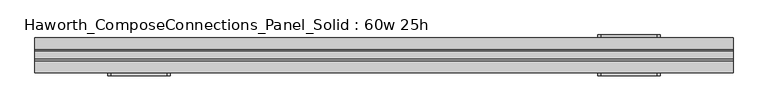
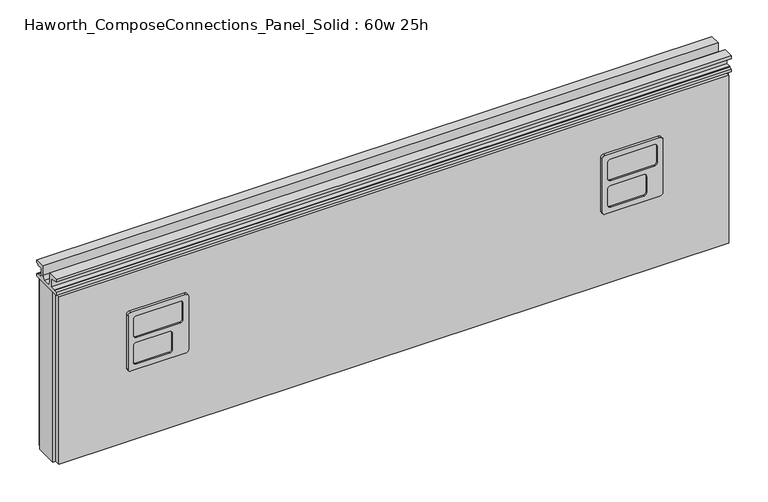
"""IFC4 building model written with IfcOpenShell, lengths in millimetres: furniture geometry, Haworth_ComposeConnections_Panel_Solid : 60w 25h."""

import ifcopenshell
import ifcopenshell.guid

model = None  # the IFC model being written
_history = None  # IfcOwnerHistory: only IFC2X3 demands one
_inside = {}  # id of a spatial element -> (the spatial element, [elements in it])
_under = {}  # id of a project, library or spatial element -> (it, [spatial elements below it])
_declared = {}  # id of a project -> (the project, [libraries it declares])
_typed = {}  # id of a type object -> (the type object, [elements of that type])
_made_of = {}  # id of a material, layer set ... -> (it, [elements and type objects made of it])


def new_model(schema):
    """Start an empty IFC model of exactly this schema.

    Asked for "IFC4X3", IfcOpenShell would pick the latest addendum, in which some entities
    have other attributes; the version numbers below select the first issue.
    IFC2X3 requires an IfcOwnerHistory on every rooted entity: one is made here for all.
    """
    global model, _history
    if schema == "IFC4X3":
        model = ifcopenshell.file(schema_version=(4, 3, 0, 0))
    else:
        model = ifcopenshell.file(schema=schema)
    _inside.clear()
    _under.clear()
    _declared.clear()
    _typed.clear()
    _made_of.clear()
    _history = None
    if model.schema == "IFC2X3":
        org = make("IfcOrganization", Name="unknown")
        user = make(
            "IfcPersonAndOrganization",
            ThePerson=make("IfcPerson", FamilyName="unknown"),
            TheOrganization=org,
        )
        app = make(
            "IfcApplication",
            ApplicationDeveloper=org,
            Version="unknown",
            ApplicationFullName="unknown",
            ApplicationIdentifier="unknown",
        )
        _history = make(
            "IfcOwnerHistory",
            OwningUser=user,
            OwningApplication=app,
            ChangeAction="ADDED",
            CreationDate=0,
        )
    return model


def make(cls, **values):
    """One entity of the class cls with the attributes given. An attribute that is None is left unset."""
    return model.create_entity(
        cls, **{name: value for name, value in values.items() if value is not None}
    )


def rooted(cls, **values):
    """An entity with a GlobalId (a new one), such as an element, a storey or a relation."""
    return make(cls, GlobalId=ifcopenshell.guid.new(), OwnerHistory=_history, **values)


def si_unit(unit_type, name, prefix=None):
    """IfcSIUnit, for example si_unit("LENGTHUNIT", "METRE", prefix="MILLI")."""
    return make("IfcSIUnit", UnitType=unit_type, Prefix=prefix, Name=name)


def assignment(units):
    """IfcUnitAssignment: the units of a project."""
    return None if units is None else make("IfcUnitAssignment", Units=units)


def point(xyz):
    """IfcCartesianPoint."""
    return None if xyz is None else make("IfcCartesianPoint", Coordinates=xyz)


def direction(xyz):
    """IfcDirection."""
    return None if xyz is None else make("IfcDirection", DirectionRatios=xyz)


def frame(location, z_axis=None, x_axis=None):
    """IfcAxis2Placement3D, a coordinate frame: its origin and axes. An axis left out is left unset."""
    return make(
        "IfcAxis2Placement3D",
        Location=point(location),
        Axis=direction(z_axis),
        RefDirection=direction(x_axis),
    )


def origin():
    """The frame at (0, 0, 0) with its axes left unset."""
    return frame((0.0, 0.0, 0.0))


def place(relative_to, where):
    """IfcLocalPlacement: puts the frame where relative to a parent placement (None: the world)."""
    return make(
        "IfcLocalPlacement", PlacementRelTo=relative_to, RelativePlacement=where
    )


def context(
    kind, dimensions, precision=None, world=None, true_north=None, identifier=None
):
    """IfcGeometricRepresentationContext, for example the 3D "Model" context."""
    return make(
        "IfcGeometricRepresentationContext",
        ContextIdentifier=identifier,
        ContextType=kind,
        CoordinateSpaceDimension=dimensions,
        Precision=precision,
        WorldCoordinateSystem=world,
        TrueNorth=true_north,
    )


def project(units=None, contexts=None):
    """IfcProject with its units and contexts."""
    return rooted(
        "IfcProject",
        Name="project",
        RepresentationContexts=contexts,
        UnitsInContext=assignment(units),
    )


def spatial(cls, under=None, at=None, **own):
    """A site, building, storey or space (cls), placed at a placement, below another one or the project."""
    s = rooted(cls, ObjectPlacement=at, **own)
    if under is not None:
        _under.setdefault(under.id(), (under, []))[1].append(s)
    return s


def polyline(points):
    """IfcPolyline through the points."""
    return make("IfcPolyline", Points=[point(p) for p in points])


def circle_curve(where, radius):
    """IfcCircle in the frame where."""
    return make("IfcCircle", Position=where, Radius=radius)


def outline(outer, holes=None, kind="AREA"):
    """IfcArbitraryClosedProfileDef: a profile drawn as a closed curve; with holes, ...WithVoids."""
    if holes is None:
        return make("IfcArbitraryClosedProfileDef", ProfileType=kind, OuterCurve=outer)
    return make(
        "IfcArbitraryProfileDefWithVoids",
        ProfileType=kind,
        OuterCurve=outer,
        InnerCurves=holes,
    )


def extrude(swept, where, along, depth):
    """IfcExtrudedAreaSolid: the profile swept, set in the frame where, extruded along a direction by depth."""
    return make(
        "IfcExtrudedAreaSolid",
        SweptArea=swept,
        Position=where,
        ExtrudedDirection=direction(along),
        Depth=depth,
    )


def shape(context_of_items, identifier, shape_type, items):
    """IfcShapeRepresentation: the items that make up one representation, for example the "Body"."""
    return make(
        "IfcShapeRepresentation",
        ContextOfItems=context_of_items,
        RepresentationIdentifier=identifier,
        RepresentationType=shape_type,
        Items=items,
    )


def source(mapping_origin, context_of_items, identifier, shape_type, items):
    """IfcRepresentationMap: a shape defined once, which mapped items show again and again."""
    return make(
        "IfcRepresentationMap",
        MappingOrigin=mapping_origin,
        MappedRepresentation=shape(context_of_items, identifier, shape_type, items),
    )


def transform(
    local_origin,
    x_axis=None,
    y_axis=None,
    z_axis=None,
    scale=None,
    scale2=None,
    scale3=None,
    uniform=True,
):
    """IfcCartesianTransformationOperator3D, or its non-uniform kind. x_axis, y_axis, z_axis: its Axis1, 2, 3."""
    if uniform:
        return make(
            "IfcCartesianTransformationOperator3D",
            Axis1=direction(x_axis),
            Axis2=direction(y_axis),
            LocalOrigin=point(local_origin),
            Scale=scale,
            Axis3=direction(z_axis),
        )
    return make(
        "IfcCartesianTransformationOperator3DnonUniform",
        Axis1=direction(x_axis),
        Axis2=direction(y_axis),
        LocalOrigin=point(local_origin),
        Scale=scale,
        Axis3=direction(z_axis),
        Scale2=scale2,
        Scale3=scale3,
    )


def mapped(mapping_source, mapping_target):
    """IfcMappedItem: shows the shape of a source again, moved by a transform."""
    return make(
        "IfcMappedItem", MappingSource=mapping_source, MappingTarget=mapping_target
    )


def made_of(thing, what):
    """Note that an element or type object is made of a material, layer set ...; save() writes the relation."""
    if what is not None:
        _made_of.setdefault(what.id(), (what, []))[1].append(thing)
    return thing


def element(
    cls,
    number,
    at=None,
    inside=None,
    cuts=None,
    type_object=None,
    material=None,
    context=None,
    identifier="Body",
    shape_type=None,
    held_by="IfcProductDefinitionShape",
    body=None,
    shapes=None,
    **own,
):
    """One element of the class cls, such as IfcWall. Its Tag is "e" and its number.

    at: its placement. inside: the storey or other place that contains it. cuts: it is an
    opening in that element (IfcRelVoidsElement). A single representation is given by context,
    identifier, shape_type and body (its items); several are given by shapes. held_by: the class
    of the entity that holds the representations. save() writes the other relations.
    """
    e = rooted(cls, Tag="e%d" % number, ObjectPlacement=at, **own)
    if body is not None:
        shapes = [shape(context, identifier, shape_type, body)]
    if shapes is not None:
        e.Representation = make(held_by, Representations=shapes)
    if inside is not None:
        _inside.setdefault(inside.id(), (inside, []))[1].append(e)
    if cuts is not None:
        rooted(
            "IfcRelVoidsElement", RelatingBuildingElement=cuts, RelatedOpeningElement=e
        )
    if type_object is not None:
        _typed.setdefault(type_object.id(), (type_object, []))[1].append(e)
    return made_of(e, material)


def aggregate(whole, parts):
    """IfcRelAggregates: a whole, such as a stair, and the parts it consists of."""
    return rooted("IfcRelAggregates", RelatingObject=whole, RelatedObjects=parts)


def save(model, path):
    """Write the relations noted so far, then the file.

    IfcRelAggregates (storeys below a building ...), IfcRelContainedInSpatialStructure (elements
    in a storey), IfcRelDefinesByType, IfcRelAssociatesMaterial and IfcRelDeclares: one each for
    every whole, place, type object, material and project.
    """
    for whole, parts in _under.values():
        aggregate(whole, parts)
    for where, things in _inside.values():
        rooted(
            "IfcRelContainedInSpatialStructure",
            RelatedElements=things,
            RelatingStructure=where,
        )
    for kind, things in _typed.values():
        rooted("IfcRelDefinesByType", RelatedObjects=things, RelatingType=kind)
    for what, things in _made_of.values():
        rooted("IfcRelAssociatesMaterial", RelatedObjects=things, RelatingMaterial=what)
    for by, libraries in _declared.values():
        rooted("IfcRelDeclares", RelatingContext=by, RelatedDefinitions=libraries)
    model.write(path)


def plane_surface(at):
    """IfcPlane: the flat surface through the origin of the frame at, square to its z axis."""
    return make("IfcPlane", Position=at)


def cylinder_surface(at, radius):
    """IfcCylindricalSurface: all points at the distance radius from the z axis of the frame at."""
    return make("IfcCylindricalSurface", Position=at, Radius=radius)


def revolved_surface(curve, axis_point, axis_direction):
    """IfcSurfaceOfRevolution: the curve turned about the line through axis_point along axis_direction."""
    return make(
        "IfcSurfaceOfRevolution",
        SweptCurve=make("IfcArbitraryOpenProfileDef", ProfileType="CURVE", Curve=curve),
        AxisPosition=make("IfcAxis1Placement", Location=point(axis_point), Axis=direction(axis_direction)),
    )


def advanced_brep(points, edges, surfaces, faces):
    """IfcAdvancedBrep: a solid bounded by faces that lie on surfaces and meet in shared edges.

    An edge is (start, end): straight between two places in points (the first is 0);
    or (start, end, curve); or (start, end, curve, False) where it runs against its curve.
    A face is (place in surfaces, loops), or (place, loops, False) where it looks against
    its surface's normal. A loop lists edges by number (the first is 1), with a minus sign
    where the edge is run from its end to its start. The first loop is the outer one.
    """
    corners = [point(p) for p in points]
    vertices = [make("IfcVertexPoint", VertexGeometry=c) for c in corners]
    made = []
    for start, end, *more in edges:
        made.append(
            make(
                "IfcEdgeCurve",
                EdgeStart=vertices[start],
                EdgeEnd=vertices[end],
                EdgeGeometry=more[0] if more else make("IfcPolyline", Points=[corners[start], corners[end]]),
                SameSense=more[1] if len(more) > 1 else True,
            )
        )
    hull = []
    for where, loops, *sense in faces:
        bounds = []
        for j, loop in enumerate(loops):
            ring = [make("IfcOrientedEdge", EdgeElement=made[abs(k) - 1], Orientation=k > 0) for k in loop]
            bounds.append(
                make(
                    "IfcFaceOuterBound" if j == 0 else "IfcFaceBound",
                    Bound=make("IfcEdgeLoop", EdgeList=ring),
                    Orientation=True,
                )
            )
        hull.append(make("IfcAdvancedFace", Bounds=bounds, FaceSurface=surfaces[where], SameSense=sense[0] if sense else True))
    return make("IfcAdvancedBrep", Outer=make("IfcClosedShell", CfsFaces=hull))


def haworth_composeconnections_panel_solid_60w_25h_794f373a(model_context):
    return source(origin(), model_context, "Body", "SolidModel", [
        advanced_brep(
        [(-594.4597098, -38.1, 546.1), (-470.6347098, -38.1, 546.1), (-464.2847098, -38.1, 539.75), (-464.2847098, -38.1, 412.75), (-470.6347098, -38.1, 406.4), (-594.4597098, -38.1, 406.4), (-600.8097098, -38.1, 412.75), (-600.8097098, -38.1, 539.75), (-594.4597098, -44.45, 546.1), (-600.8097098, -44.45, 539.75), (-600.8097098, -44.45, 412.75), (-594.4597098, -44.45, 406.4), (-470.6347098, -44.45, 406.4), (-464.2847098, -44.45, 412.75), (-464.2847098, -44.45, 539.75), (-470.6347098, -44.45, 546.1), (-581.7597098, -44.45, 533.4), (-483.3347098, -44.45, 533.4), (-476.9847098, -44.45, 527.05), (-476.9847098, -44.45, 488.95), (-483.3347098, -44.45, 482.6), (-581.7597098, -44.45, 482.6), (-588.1097098, -44.45, 488.95), (-588.1097098, -44.45, 527.05), (-581.7597098, -44.45, 469.9), (-507.1472098, -44.45, 469.9), (-500.7972098, -44.45, 463.55), (-500.7972098, -44.45, 425.45), (-507.1472098, -44.45, 419.1), (-581.7597098, -44.45, 419.1), (-588.1097098, -44.45, 425.45), (-588.1097098, -44.45, 463.55), (-581.7597098, -41.275, 533.4), (-588.1097098, -41.275, 527.05), (-588.1097098, -41.275, 488.95), (-581.7597098, -41.275, 482.6), (-483.3347098, -41.275, 482.6), (-476.9847098, -41.275, 488.95), (-476.9847098, -41.275, 527.05), (-483.3347098, -41.275, 533.4), (-581.7597098, -41.275, 469.9), (-588.1097098, -41.275, 463.55), (-588.1097098, -41.275, 425.45), (-581.7597098, -41.275, 419.1), (-507.1472098, -41.275, 419.1), (-500.7972098, -41.275, 425.45), (-500.7972098, -41.275, 463.55), (-507.1472098, -41.275, 469.9)],
        [
            (0, 1),
            (1, 2, circle_curve(frame((-470.6347098, -38.1, 539.75), z_axis=(0.0, 1.0, 0.0), x_axis=(1.0, 0.0, 0.0)), 6.35)),
            (2, 3),
            (3, 4, circle_curve(frame((-470.6347098, -38.1, 412.75), z_axis=(0.0, 1.0, 0.0), x_axis=(1.0, 0.0, 0.0)), 6.35)),
            (4, 5),
            (5, 6, circle_curve(frame((-594.4597098, -38.1, 412.75), z_axis=(0.0, 1.0, 0.0), x_axis=(1.0, 0.0, 0.0)), 6.35)),
            (6, 7),
            (7, 0, circle_curve(frame((-594.4597098, -38.1, 539.75), z_axis=(0.0, 1.0, 0.0), x_axis=(1.0, 0.0, 0.0)), 6.35)),
            (8, 9, circle_curve(frame((-594.4597098, -44.45, 539.75), z_axis=(0.0, -1.0, 0.0), x_axis=(1.0, 0.0, 0.0)), 6.35)),
            (9, 10),
            (10, 11, circle_curve(frame((-594.4597098, -44.45, 412.75), z_axis=(0.0, -1.0, 0.0), x_axis=(1.0, 0.0, 0.0)), 6.35)),
            (11, 12),
            (12, 13, circle_curve(frame((-470.6347098, -44.45, 412.75), z_axis=(0.0, -1.0, 0.0), x_axis=(1.0, 0.0, 0.0)), 6.35)),
            (13, 14),
            (14, 15, circle_curve(frame((-470.6347098, -44.45, 539.75), z_axis=(0.0, -1.0, 0.0), x_axis=(1.0, 0.0, 0.0)), 6.35)),
            (15, 8),
            (16, 17),
            (17, 18, circle_curve(frame((-483.3347098, -44.45, 527.05), z_axis=(0.0, 1.0, 0.0), x_axis=(1.0, 0.0, 0.0)), 6.35)),
            (18, 19),
            (19, 20, circle_curve(frame((-483.3347098, -44.45, 488.95), z_axis=(0.0, 1.0, 0.0), x_axis=(1.0, 0.0, 0.0)), 6.35)),
            (20, 21),
            (21, 22, circle_curve(frame((-581.7597098, -44.45, 488.95), z_axis=(0.0, 1.0, 0.0), x_axis=(1.0, 0.0, 0.0)), 6.35)),
            (22, 23),
            (23, 16, circle_curve(frame((-581.7597098, -44.45, 527.05), z_axis=(0.0, 1.0, 0.0), x_axis=(1.0, 0.0, 0.0)), 6.35)),
            (24, 25),
            (25, 26, circle_curve(frame((-507.1472098, -44.45, 463.55), z_axis=(0.0, 1.0, 0.0), x_axis=(1.0, 0.0, 0.0)), 6.35)),
            (26, 27),
            (27, 28, circle_curve(frame((-507.1472098, -44.45, 425.45), z_axis=(0.0, 1.0, 0.0), x_axis=(1.0, 0.0, 0.0)), 6.35)),
            (28, 29),
            (29, 30, circle_curve(frame((-581.7597098, -44.45, 425.45), z_axis=(0.0, 1.0, 0.0), x_axis=(1.0, 0.0, 0.0)), 6.35)),
            (30, 31),
            (31, 24, circle_curve(frame((-581.7597098, -44.45, 463.55), z_axis=(0.0, 1.0, 0.0), x_axis=(1.0, 0.0, 0.0)), 6.35)),
            (7, 9),
            (8, 0),
            (6, 10),
            (5, 11),
            (4, 12),
            (3, 13),
            (2, 14),
            (1, 15),
            (32, 33, circle_curve(frame((-581.7597098, -41.275, 527.05), z_axis=(0.0, -1.0, 0.0), x_axis=(1.0, 0.0, 0.0)), 6.35)),
            (33, 34),
            (34, 35, circle_curve(frame((-581.7597098, -41.275, 488.95), z_axis=(0.0, -1.0, 0.0), x_axis=(1.0, 0.0, 0.0)), 6.35)),
            (35, 36),
            (36, 37, circle_curve(frame((-483.3347098, -41.275, 488.95), z_axis=(0.0, -1.0, 0.0), x_axis=(1.0, 0.0, 0.0)), 6.35)),
            (37, 38),
            (38, 39, circle_curve(frame((-483.3347098, -41.275, 527.05), z_axis=(0.0, -1.0, 0.0), x_axis=(1.0, 0.0, 0.0)), 6.35)),
            (39, 32),
            (40, 41, circle_curve(frame((-581.7597098, -41.275, 463.55), z_axis=(0.0, -1.0, 0.0), x_axis=(1.0, 0.0, 0.0)), 6.35)),
            (41, 42),
            (42, 43, circle_curve(frame((-581.7597098, -41.275, 425.45), z_axis=(0.0, -1.0, 0.0), x_axis=(1.0, 0.0, 0.0)), 6.35)),
            (43, 44),
            (44, 45, circle_curve(frame((-507.1472098, -41.275, 425.45), z_axis=(0.0, -1.0, 0.0), x_axis=(1.0, 0.0, 0.0)), 6.35)),
            (45, 46),
            (46, 47, circle_curve(frame((-507.1472098, -41.275, 463.55), z_axis=(0.0, -1.0, 0.0), x_axis=(1.0, 0.0, 0.0)), 6.35)),
            (47, 40),
            (32, 16),
            (23, 33),
            (22, 34),
            (21, 35),
            (20, 36),
            (19, 37),
            (18, 38),
            (17, 39),
            (40, 24),
            (31, 41),
            (30, 42),
            (29, 43),
            (28, 44),
            (27, 45),
            (26, 46),
            (25, 47),
        ],
        [
            plane_surface(frame((-588.1097098, -38.1, 539.75), z_axis=(0.0, 1.0, 0.0), x_axis=(0.0, 0.0, 1.0))),
            plane_surface(frame((-588.1097098, -44.45, 539.75), z_axis=(0.0, -1.0, 0.0), x_axis=(0.0, 0.0, -1.0))),
            cylinder_surface(frame((-594.4597098, -44.45, 539.75), z_axis=(0.0, 1.0, 0.0), x_axis=(1.0, 0.0, 0.0)), 6.35),
            plane_surface(frame((-600.8097098, -38.1, 539.75), z_axis=(-1.0, 0.0, 0.0), x_axis=(0.0, -1.0, 0.0))),
            cylinder_surface(frame((-594.4597098, -44.45, 412.75), z_axis=(0.0, 1.0, 0.0), x_axis=(1.0, 0.0, 0.0)), 6.35),
            plane_surface(frame((-594.4597098, -38.1, 406.4), z_axis=(0.0, 0.0, -1.0), x_axis=(0.0, -1.0, 0.0))),
            cylinder_surface(frame((-470.6347098, -44.45, 412.75), z_axis=(0.0, 1.0, 0.0), x_axis=(1.0, 0.0, 0.0)), 6.35),
            plane_surface(frame((-464.2847098, -38.1, 412.75), z_axis=(1.0, 0.0, 0.0), x_axis=(0.0, -1.0, 0.0))),
            cylinder_surface(frame((-470.6347098, -44.45, 539.75), z_axis=(0.0, 1.0, 0.0), x_axis=(1.0, 0.0, 0.0)), 6.35),
            plane_surface(frame((-470.6347098, -38.1, 546.1), z_axis=(0.0, 0.0, 1.0), x_axis=(0.0, -1.0, 0.0))),
            plane_surface(frame((-575.4097098, -41.275, 527.05), z_axis=(0.0, -1.0, 0.0), x_axis=(0.0, 0.0, 1.0))),
            revolved_surface(polyline([(-575.4097098, -41.275, 527.05), (-575.4097098, -44.45, 527.05)]), (-581.7597098, -44.45, 527.05), (0.0, 1.0, 0.0)),
            plane_surface(frame((-588.1097098, -41.275, 527.05), z_axis=(1.0, 0.0, 0.0), x_axis=(0.0, -1.0, 0.0))),
            revolved_surface(polyline([(-575.4097098, -41.275, 488.95), (-575.4097098, -44.45, 488.95)]), (-581.7597098, -44.45, 488.95), (0.0, 1.0, 0.0)),
            plane_surface(frame((-581.7597098, -41.275, 482.6), z_axis=(0.0, 0.0, 1.0), x_axis=(0.0, -1.0, 0.0))),
            revolved_surface(polyline([(-476.98470979999996, -41.275, 488.95), (-476.98470979999996, -44.45, 488.95)]), (-483.3347098, -44.45, 488.95), (0.0, 1.0, 0.0)),
            plane_surface(frame((-476.9847098, -41.275, 488.95), z_axis=(-1.0, 0.0, 0.0), x_axis=(0.0, -1.0, 0.0))),
            revolved_surface(polyline([(-476.98470979999996, -41.275, 527.05), (-476.98470979999996, -44.45, 527.05)]), (-483.3347098, -44.45, 527.05), (0.0, 1.0, 0.0)),
            plane_surface(frame((-483.3347098, -41.275, 533.4), z_axis=(0.0, 0.0, -1.0), x_axis=(0.0, -1.0, 0.0))),
            revolved_surface(polyline([(-575.4097098, -41.275, 463.55), (-575.4097098, -44.45, 463.55)]), (-581.7597098, -44.45, 463.55), (0.0, 1.0, 0.0)),
            plane_surface(frame((-588.1097098, -41.275, 463.55), z_axis=(1.0, 0.0, 0.0), x_axis=(0.0, -1.0, 0.0))),
            revolved_surface(polyline([(-575.4097098, -41.275, 425.45), (-575.4097098, -44.45, 425.45)]), (-581.7597098, -44.45, 425.45), (0.0, 1.0, 0.0)),
            plane_surface(frame((-581.7597098, -41.275, 419.1), z_axis=(0.0, 0.0, 1.0), x_axis=(0.0, -1.0, 0.0))),
            revolved_surface(polyline([(-500.79720979999996, -41.275, 425.45), (-500.79720979999996, -44.45, 425.45)]), (-507.1472098, -44.45, 425.45), (0.0, 1.0, 0.0)),
            plane_surface(frame((-500.7972098, -41.275, 425.45), z_axis=(-1.0, 0.0, 0.0), x_axis=(0.0, -1.0, 0.0))),
            revolved_surface(polyline([(-500.79720979999996, -41.275, 463.55), (-500.79720979999996, -44.45, 463.55)]), (-507.1472098, -44.45, 463.55), (0.0, 1.0, 0.0)),
            plane_surface(frame((-507.1472098, -41.275, 469.9), z_axis=(0.0, 0.0, -1.0), x_axis=(0.0, -1.0, 0.0))),
        ],
        [
            (0, [[1, 2, 3, 4, 5, 6, 7, 8]]),
            (1, [[9, 10, 11, 12, 13, 14, 15, 16], [17, 18, 19, 20, 21, 22, 23, 24], [25, 26, 27, 28, 29, 30, 31, 32]]),
            (2, [[33, -9, 34, -8]]),
            (3, [[35, -10, -33, -7]]),
            (4, [[36, -11, -35, -6]]),
            (5, [[37, -12, -36, -5]]),
            (6, [[38, -13, -37, -4]]),
            (7, [[39, -14, -38, -3]]),
            (8, [[40, -15, -39, -2]]),
            (9, [[-34, -16, -40, -1]]),
            (10, [[41, 42, 43, 44, 45, 46, 47, 48]]),
            (10, [[49, 50, 51, 52, 53, 54, 55, 56]]),
            (11, [[57, -24, 58, -41]]),
            (12, [[-58, -23, 59, -42]]),
            (13, [[-59, -22, 60, -43]]),
            (14, [[-60, -21, 61, -44]]),
            (15, [[-61, -20, 62, -45]]),
            (16, [[-62, -19, 63, -46]]),
            (17, [[-63, -18, 64, -47]]),
            (18, [[-64, -17, -57, -48]]),
            (19, [[65, -32, 66, -49]]),
            (20, [[-66, -31, 67, -50]]),
            (21, [[-67, -30, 68, -51]]),
            (22, [[-68, -29, 69, -52]]),
            (23, [[-69, -28, 70, -53]]),
            (24, [[-70, -27, 71, -54]]),
            (25, [[-71, -26, 72, -55]]),
            (26, [[-72, -25, -65, -56]]),
        ],
    ),
        advanced_brep(
        [(475.5152902, -38.1, 546.1), (599.3402902, -38.1, 546.1), (605.6902902, -38.1, 539.75), (605.6902902, -38.1, 412.75), (599.3402902, -38.1, 406.4), (475.5152902, -38.1, 406.4), (469.1652902, -38.1, 412.75), (469.1652902, -38.1, 539.75), (475.5152902, -44.45, 546.1), (469.1652902, -44.45, 539.75), (469.1652902, -44.45, 412.75), (475.5152902, -44.45, 406.4), (599.3402902, -44.45, 406.4), (605.6902902, -44.45, 412.75), (605.6902902, -44.45, 539.75), (599.3402902, -44.45, 546.1), (488.2152902, -44.45, 533.4), (586.6402902, -44.45, 533.4), (592.9902902, -44.45, 527.05), (592.9902902, -44.45, 488.95), (586.6402902, -44.45, 482.6), (488.2152902, -44.45, 482.6), (481.8652902, -44.45, 488.95), (481.8652902, -44.45, 527.05), (488.2152902, -44.45, 469.9), (562.8277902, -44.45, 469.9), (569.1777902, -44.45, 463.55), (569.1777902, -44.45, 425.45), (562.8277902, -44.45, 419.1), (488.2152902, -44.45, 419.1), (481.8652902, -44.45, 425.45), (481.8652902, -44.45, 463.55), (488.2152902, -41.275, 533.4), (481.8652902, -41.275, 527.05), (481.8652902, -41.275, 488.95), (488.2152902, -41.275, 482.6), (586.6402902, -41.275, 482.6), (592.9902902, -41.275, 488.95), (592.9902902, -41.275, 527.05), (586.6402902, -41.275, 533.4), (488.2152902, -41.275, 469.9), (481.8652902, -41.275, 463.55), (481.8652902, -41.275, 425.45), (488.2152902, -41.275, 419.1), (562.8277902, -41.275, 419.1), (569.1777902, -41.275, 425.45), (569.1777902, -41.275, 463.55), (562.8277902, -41.275, 469.9)],
        [
            (0, 1),
            (1, 2, circle_curve(frame((599.3402902, -38.1, 539.75), z_axis=(0.0, 1.0, 0.0), x_axis=(1.0, 0.0, 0.0)), 6.35)),
            (2, 3),
            (3, 4, circle_curve(frame((599.3402902, -38.1, 412.75), z_axis=(0.0, 1.0, 0.0), x_axis=(1.0, 0.0, 0.0)), 6.35)),
            (4, 5),
            (5, 6, circle_curve(frame((475.5152902, -38.1, 412.75), z_axis=(0.0, 1.0, 0.0), x_axis=(1.0, 0.0, 0.0)), 6.35)),
            (6, 7),
            (7, 0, circle_curve(frame((475.5152902, -38.1, 539.75), z_axis=(0.0, 1.0, 0.0), x_axis=(1.0, 0.0, 0.0)), 6.35)),
            (8, 9, circle_curve(frame((475.5152902, -44.45, 539.75), z_axis=(0.0, -1.0, 0.0), x_axis=(1.0, 0.0, 0.0)), 6.35)),
            (9, 10),
            (10, 11, circle_curve(frame((475.5152902, -44.45, 412.75), z_axis=(0.0, -1.0, 0.0), x_axis=(1.0, 0.0, 0.0)), 6.35)),
            (11, 12),
            (12, 13, circle_curve(frame((599.3402902, -44.45, 412.75), z_axis=(0.0, -1.0, 0.0), x_axis=(1.0, 0.0, 0.0)), 6.35)),
            (13, 14),
            (14, 15, circle_curve(frame((599.3402902, -44.45, 539.75), z_axis=(0.0, -1.0, 0.0), x_axis=(1.0, 0.0, 0.0)), 6.35)),
            (15, 8),
            (16, 17),
            (17, 18, circle_curve(frame((586.6402902, -44.45, 527.05), z_axis=(0.0, 1.0, 0.0), x_axis=(1.0, 0.0, 0.0)), 6.35)),
            (18, 19),
            (19, 20, circle_curve(frame((586.6402902, -44.45, 488.95), z_axis=(0.0, 1.0, 0.0), x_axis=(1.0, 0.0, 0.0)), 6.35)),
            (20, 21),
            (21, 22, circle_curve(frame((488.2152902, -44.45, 488.95), z_axis=(0.0, 1.0, 0.0), x_axis=(1.0, 0.0, 0.0)), 6.35)),
            (22, 23),
            (23, 16, circle_curve(frame((488.2152902, -44.45, 527.05), z_axis=(0.0, 1.0, 0.0), x_axis=(1.0, 0.0, 0.0)), 6.35)),
            (24, 25),
            (25, 26, circle_curve(frame((562.8277902, -44.45, 463.55), z_axis=(0.0, 1.0, 0.0), x_axis=(1.0, 0.0, 0.0)), 6.35)),
            (26, 27),
            (27, 28, circle_curve(frame((562.8277902, -44.45, 425.45), z_axis=(0.0, 1.0, 0.0), x_axis=(1.0, 0.0, 0.0)), 6.35)),
            (28, 29),
            (29, 30, circle_curve(frame((488.2152902, -44.45, 425.45), z_axis=(0.0, 1.0, 0.0), x_axis=(1.0, 0.0, 0.0)), 6.35)),
            (30, 31),
            (31, 24, circle_curve(frame((488.2152902, -44.45, 463.55), z_axis=(0.0, 1.0, 0.0), x_axis=(1.0, 0.0, 0.0)), 6.35)),
            (7, 9),
            (8, 0),
            (6, 10),
            (5, 11),
            (4, 12),
            (3, 13),
            (2, 14),
            (1, 15),
            (32, 33, circle_curve(frame((488.2152902, -41.275, 527.05), z_axis=(0.0, -1.0, 0.0), x_axis=(1.0, 0.0, 0.0)), 6.35)),
            (33, 34),
            (34, 35, circle_curve(frame((488.2152902, -41.275, 488.95), z_axis=(0.0, -1.0, 0.0), x_axis=(1.0, 0.0, 0.0)), 6.35)),
            (35, 36),
            (36, 37, circle_curve(frame((586.6402902, -41.275, 488.95), z_axis=(0.0, -1.0, 0.0), x_axis=(1.0, 0.0, 0.0)), 6.35)),
            (37, 38),
            (38, 39, circle_curve(frame((586.6402902, -41.275, 527.05), z_axis=(0.0, -1.0, 0.0), x_axis=(1.0, 0.0, 0.0)), 6.35)),
            (39, 32),
            (40, 41, circle_curve(frame((488.2152902, -41.275, 463.55), z_axis=(0.0, -1.0, 0.0), x_axis=(1.0, 0.0, 0.0)), 6.35)),
            (41, 42),
            (42, 43, circle_curve(frame((488.2152902, -41.275, 425.45), z_axis=(0.0, -1.0, 0.0), x_axis=(1.0, 0.0, 0.0)), 6.35)),
            (43, 44),
            (44, 45, circle_curve(frame((562.8277902, -41.275, 425.45), z_axis=(0.0, -1.0, 0.0), x_axis=(1.0, 0.0, 0.0)), 6.35)),
            (45, 46),
            (46, 47, circle_curve(frame((562.8277902, -41.275, 463.55), z_axis=(0.0, -1.0, 0.0), x_axis=(1.0, 0.0, 0.0)), 6.35)),
            (47, 40),
            (32, 16),
            (23, 33),
            (22, 34),
            (21, 35),
            (20, 36),
            (19, 37),
            (18, 38),
            (17, 39),
            (40, 24),
            (31, 41),
            (30, 42),
            (29, 43),
            (28, 44),
            (27, 45),
            (26, 46),
            (25, 47),
        ],
        [
            plane_surface(frame((481.8652902, -38.1, 539.75), z_axis=(0.0, 1.0, 0.0), x_axis=(0.0, 0.0, 1.0))),
            plane_surface(frame((481.8652902, -44.45, 539.75), z_axis=(0.0, -1.0, 0.0), x_axis=(0.0, 0.0, -1.0))),
            cylinder_surface(frame((475.5152902, -44.45, 539.75), z_axis=(0.0, 1.0, 0.0), x_axis=(1.0, 0.0, 0.0)), 6.35),
            plane_surface(frame((469.1652902, -38.1, 539.75), z_axis=(-1.0, 0.0, 0.0), x_axis=(0.0, -1.0, 0.0))),
            cylinder_surface(frame((475.5152902, -44.45, 412.75), z_axis=(0.0, 1.0, 0.0), x_axis=(1.0, 0.0, 0.0)), 6.35),
            plane_surface(frame((475.5152902, -38.1, 406.4), z_axis=(0.0, 0.0, -1.0), x_axis=(0.0, -1.0, 0.0))),
            cylinder_surface(frame((599.3402902, -44.45, 412.75), z_axis=(0.0, 1.0, 0.0), x_axis=(1.0, 0.0, 0.0)), 6.35),
            plane_surface(frame((605.6902902, -38.1, 412.75), z_axis=(1.0, 0.0, 0.0), x_axis=(0.0, -1.0, 0.0))),
            cylinder_surface(frame((599.3402902, -44.45, 539.75), z_axis=(0.0, 1.0, 0.0), x_axis=(1.0, 0.0, 0.0)), 6.35),
            plane_surface(frame((599.3402902, -38.1, 546.1), z_axis=(0.0, 0.0, 1.0), x_axis=(0.0, -1.0, 0.0))),
            plane_surface(frame((494.5652902, -41.275, 527.05), z_axis=(0.0, -1.0, 0.0), x_axis=(0.0, 0.0, 1.0))),
            revolved_surface(polyline([(494.56529020000005, -41.275, 527.05), (494.56529020000005, -44.45, 527.05)]), (488.2152902, -44.45, 527.05), (0.0, 1.0, 0.0)),
            plane_surface(frame((481.8652902, -41.275, 527.05), z_axis=(1.0, 0.0, 0.0), x_axis=(0.0, -1.0, 0.0))),
            revolved_surface(polyline([(494.56529020000005, -41.275, 488.95), (494.56529020000005, -44.45, 488.95)]), (488.2152902, -44.45, 488.95), (0.0, 1.0, 0.0)),
            plane_surface(frame((488.2152902, -41.275, 482.6), z_axis=(0.0, 0.0, 1.0), x_axis=(0.0, -1.0, 0.0))),
            revolved_surface(polyline([(592.9902902, -41.275, 488.95), (592.9902902, -44.45, 488.95)]), (586.6402902, -44.45, 488.95), (0.0, 1.0, 0.0)),
            plane_surface(frame((592.9902902, -41.275, 488.95), z_axis=(-1.0, 0.0, 0.0), x_axis=(0.0, -1.0, 0.0))),
            revolved_surface(polyline([(592.9902902, -41.275, 527.05), (592.9902902, -44.45, 527.05)]), (586.6402902, -44.45, 527.05), (0.0, 1.0, 0.0)),
            plane_surface(frame((586.6402902, -41.275, 533.4), z_axis=(0.0, 0.0, -1.0), x_axis=(0.0, -1.0, 0.0))),
            revolved_surface(polyline([(494.56529020000005, -41.275, 463.55), (494.56529020000005, -44.45, 463.55)]), (488.2152902, -44.45, 463.55), (0.0, 1.0, 0.0)),
            plane_surface(frame((481.8652902, -41.275, 463.55), z_axis=(1.0, 0.0, 0.0), x_axis=(0.0, -1.0, 0.0))),
            revolved_surface(polyline([(494.56529020000005, -41.275, 425.45), (494.56529020000005, -44.45, 425.45)]), (488.2152902, -44.45, 425.45), (0.0, 1.0, 0.0)),
            plane_surface(frame((488.2152902, -41.275, 419.1), z_axis=(0.0, 0.0, 1.0), x_axis=(0.0, -1.0, 0.0))),
            revolved_surface(polyline([(569.1777902, -41.275, 425.45), (569.1777902, -44.45, 425.45)]), (562.8277902, -44.45, 425.45), (0.0, 1.0, 0.0)),
            plane_surface(frame((569.1777902, -41.275, 425.45), z_axis=(-1.0, 0.0, 0.0), x_axis=(0.0, -1.0, 0.0))),
            revolved_surface(polyline([(569.1777902, -41.275, 463.55), (569.1777902, -44.45, 463.55)]), (562.8277902, -44.45, 463.55), (0.0, 1.0, 0.0)),
            plane_surface(frame((562.8277902, -41.275, 469.9), z_axis=(0.0, 0.0, -1.0), x_axis=(0.0, -1.0, 0.0))),
        ],
        [
            (0, [[1, 2, 3, 4, 5, 6, 7, 8]]),
            (1, [[9, 10, 11, 12, 13, 14, 15, 16], [17, 18, 19, 20, 21, 22, 23, 24], [25, 26, 27, 28, 29, 30, 31, 32]]),
            (2, [[33, -9, 34, -8]]),
            (3, [[35, -10, -33, -7]]),
            (4, [[36, -11, -35, -6]]),
            (5, [[37, -12, -36, -5]]),
            (6, [[38, -13, -37, -4]]),
            (7, [[39, -14, -38, -3]]),
            (8, [[40, -15, -39, -2]]),
            (9, [[-34, -16, -40, -1]]),
            (10, [[41, 42, 43, 44, 45, 46, 47, 48]]),
            (10, [[49, 50, 51, 52, 53, 54, 55, 56]]),
            (11, [[57, -24, 58, -41]]),
            (12, [[-58, -23, 59, -42]]),
            (13, [[-59, -22, 60, -43]]),
            (14, [[-60, -21, 61, -44]]),
            (15, [[-61, -20, 62, -45]]),
            (16, [[-62, -19, 63, -46]]),
            (17, [[-63, -18, 64, -47]]),
            (18, [[-64, -17, -57, -48]]),
            (19, [[65, -32, 66, -49]]),
            (20, [[-66, -31, 67, -50]]),
            (21, [[-67, -30, 68, -51]]),
            (22, [[-68, -29, 69, -52]]),
            (23, [[-69, -28, 70, -53]]),
            (24, [[-70, -27, 71, -54]]),
            (25, [[-71, -26, 72, -55]]),
            (26, [[-72, -25, -65, -56]]),
        ],
    ),
        advanced_brep(
        [(599.3402902, 38.1, 546.1), (475.5152902, 38.1, 546.1), (469.1652902, 38.1, 539.75), (469.1652902, 38.1, 412.75), (475.5152902, 38.1, 406.4), (599.3402902, 38.1, 406.4), (605.6902902, 38.1, 412.75), (605.6902902, 38.1, 539.75), (599.3402902, 44.45, 546.1), (605.6902902, 44.45, 539.75), (605.6902902, 44.45, 412.75), (599.3402902, 44.45, 406.4), (475.5152902, 44.45, 406.4), (469.1652902, 44.45, 412.75), (469.1652902, 44.45, 539.75), (475.5152902, 44.45, 546.1), (586.6402902, 44.45, 533.4), (488.2152902, 44.45, 533.4), (481.8652902, 44.45, 527.05), (481.8652902, 44.45, 488.95), (488.2152902, 44.45, 482.6), (586.6402902, 44.45, 482.6), (592.9902902, 44.45, 488.95), (592.9902902, 44.45, 527.05), (586.6402902, 44.45, 469.9), (512.0277902, 44.45, 469.9), (505.6777902, 44.45, 463.55), (505.6777902, 44.45, 425.45), (512.0277902, 44.45, 419.1), (586.6402902, 44.45, 419.1), (592.9902902, 44.45, 425.45), (592.9902902, 44.45, 463.55), (586.6402902, 41.275, 533.4), (592.9902902, 41.275, 527.05), (592.9902902, 41.275, 488.95), (586.6402902, 41.275, 482.6), (488.2152902, 41.275, 482.6), (481.8652902, 41.275, 488.95), (481.8652902, 41.275, 527.05), (488.2152902, 41.275, 533.4), (586.6402902, 41.275, 469.9), (592.9902902, 41.275, 463.55), (592.9902902, 41.275, 425.45), (586.6402902, 41.275, 419.1), (512.0277902, 41.275, 419.1), (505.6777902, 41.275, 425.45), (505.6777902, 41.275, 463.55), (512.0277902, 41.275, 469.9)],
        [
            (0, 1),
            (1, 2, circle_curve(frame((475.5152902, 38.1, 539.75), z_axis=(0.0, -1.0, 0.0), x_axis=(-1.0, 0.0, 0.0)), 6.35)),
            (2, 3),
            (3, 4, circle_curve(frame((475.5152902, 38.1, 412.75), z_axis=(0.0, -1.0, 0.0), x_axis=(-1.0, 0.0, 0.0)), 6.35)),
            (4, 5),
            (5, 6, circle_curve(frame((599.3402902, 38.1, 412.75), z_axis=(0.0, -1.0, 0.0), x_axis=(-1.0, 0.0, 0.0)), 6.35)),
            (6, 7),
            (7, 0, circle_curve(frame((599.3402902, 38.1, 539.75), z_axis=(0.0, -1.0, 0.0), x_axis=(-1.0, 0.0, 0.0)), 6.35)),
            (8, 9, circle_curve(frame((599.3402902, 44.45, 539.75), z_axis=(0.0, 1.0, 0.0), x_axis=(-1.0, 0.0, 0.0)), 6.35)),
            (9, 10),
            (10, 11, circle_curve(frame((599.3402902, 44.45, 412.75), z_axis=(0.0, 1.0, 0.0), x_axis=(-1.0, 0.0, 0.0)), 6.35)),
            (11, 12),
            (12, 13, circle_curve(frame((475.5152902, 44.45, 412.75), z_axis=(0.0, 1.0, 0.0), x_axis=(-1.0, 0.0, 0.0)), 6.35)),
            (13, 14),
            (14, 15, circle_curve(frame((475.5152902, 44.45, 539.75), z_axis=(0.0, 1.0, 0.0), x_axis=(-1.0, 0.0, 0.0)), 6.35)),
            (15, 8),
            (16, 17),
            (17, 18, circle_curve(frame((488.2152902, 44.45, 527.05), z_axis=(0.0, -1.0, 0.0), x_axis=(-1.0, 0.0, 0.0)), 6.35)),
            (18, 19),
            (19, 20, circle_curve(frame((488.2152902, 44.45, 488.95), z_axis=(0.0, -1.0, 0.0), x_axis=(-1.0, 0.0, 0.0)), 6.35)),
            (20, 21),
            (21, 22, circle_curve(frame((586.6402902, 44.45, 488.95), z_axis=(0.0, -1.0, 0.0), x_axis=(-1.0, 0.0, 0.0)), 6.35)),
            (22, 23),
            (23, 16, circle_curve(frame((586.6402902, 44.45, 527.05), z_axis=(0.0, -1.0, 0.0), x_axis=(-1.0, 0.0, 0.0)), 6.35)),
            (24, 25),
            (25, 26, circle_curve(frame((512.0277902, 44.45, 463.55), z_axis=(0.0, -1.0, 0.0), x_axis=(-1.0, 0.0, 0.0)), 6.35)),
            (26, 27),
            (27, 28, circle_curve(frame((512.0277902, 44.45, 425.45), z_axis=(0.0, -1.0, 0.0), x_axis=(-1.0, 0.0, 0.0)), 6.35)),
            (28, 29),
            (29, 30, circle_curve(frame((586.6402902, 44.45, 425.45), z_axis=(0.0, -1.0, 0.0), x_axis=(-1.0, 0.0, 0.0)), 6.35)),
            (30, 31),
            (31, 24, circle_curve(frame((586.6402902, 44.45, 463.55), z_axis=(0.0, -1.0, 0.0), x_axis=(-1.0, 0.0, 0.0)), 6.35)),
            (7, 9),
            (8, 0),
            (6, 10),
            (5, 11),
            (4, 12),
            (3, 13),
            (2, 14),
            (1, 15),
            (32, 33, circle_curve(frame((586.6402902, 41.275, 527.05), z_axis=(0.0, 1.0, 0.0), x_axis=(-1.0, 0.0, 0.0)), 6.35)),
            (33, 34),
            (34, 35, circle_curve(frame((586.6402902, 41.275, 488.95), z_axis=(0.0, 1.0, 0.0), x_axis=(-1.0, 0.0, 0.0)), 6.35)),
            (35, 36),
            (36, 37, circle_curve(frame((488.2152902, 41.275, 488.95), z_axis=(0.0, 1.0, 0.0), x_axis=(-1.0, 0.0, 0.0)), 6.35)),
            (37, 38),
            (38, 39, circle_curve(frame((488.2152902, 41.275, 527.05), z_axis=(0.0, 1.0, 0.0), x_axis=(-1.0, 0.0, 0.0)), 6.35)),
            (39, 32),
            (40, 41, circle_curve(frame((586.6402902, 41.275, 463.55), z_axis=(0.0, 1.0, 0.0), x_axis=(-1.0, 0.0, 0.0)), 6.35)),
            (41, 42),
            (42, 43, circle_curve(frame((586.6402902, 41.275, 425.45), z_axis=(0.0, 1.0, 0.0), x_axis=(-1.0, 0.0, 0.0)), 6.35)),
            (43, 44),
            (44, 45, circle_curve(frame((512.0277902, 41.275, 425.45), z_axis=(0.0, 1.0, 0.0), x_axis=(-1.0, 0.0, 0.0)), 6.35)),
            (45, 46),
            (46, 47, circle_curve(frame((512.0277902, 41.275, 463.55), z_axis=(0.0, 1.0, 0.0), x_axis=(-1.0, 0.0, 0.0)), 6.35)),
            (47, 40),
            (32, 16),
            (23, 33),
            (22, 34),
            (21, 35),
            (20, 36),
            (19, 37),
            (18, 38),
            (17, 39),
            (40, 24),
            (31, 41),
            (30, 42),
            (29, 43),
            (28, 44),
            (27, 45),
            (26, 46),
            (25, 47),
        ],
        [
            plane_surface(frame((592.9902902, 38.1, 539.75), z_axis=(0.0, -1.0, 0.0), x_axis=(0.0, 0.0, 1.0))),
            plane_surface(frame((592.9902902, 44.45, 539.75), z_axis=(0.0, 1.0, 0.0), x_axis=(0.0, 0.0, -1.0))),
            cylinder_surface(frame((599.3402902, 44.45, 539.75), z_axis=(0.0, -1.0, 0.0), x_axis=(-1.0, 0.0, 0.0)), 6.35),
            plane_surface(frame((605.6902902, 38.1, 539.75), z_axis=(1.0, 0.0, 0.0), x_axis=(0.0, 1.0, 0.0))),
            cylinder_surface(frame((599.3402902, 44.45, 412.75), z_axis=(0.0, -1.0, 0.0), x_axis=(-1.0, 0.0, 0.0)), 6.35),
            plane_surface(frame((599.3402902, 38.1, 406.4), z_axis=(0.0, 0.0, -1.0), x_axis=(0.0, 1.0, 0.0))),
            cylinder_surface(frame((475.5152902, 44.45, 412.75), z_axis=(0.0, -1.0, 0.0), x_axis=(-1.0, 0.0, 0.0)), 6.35),
            plane_surface(frame((469.1652902, 38.1, 412.75), z_axis=(-1.0, 0.0, 0.0), x_axis=(0.0, 1.0, 0.0))),
            cylinder_surface(frame((475.5152902, 44.45, 539.75), z_axis=(0.0, -1.0, 0.0), x_axis=(-1.0, 0.0, 0.0)), 6.35),
            plane_surface(frame((475.5152902, 38.1, 546.1), z_axis=(0.0, 0.0, 1.0), x_axis=(0.0, 1.0, 0.0))),
            plane_surface(frame((580.2902902, 41.275, 527.05), z_axis=(0.0, 1.0, 0.0), x_axis=(0.0, 0.0, 1.0))),
            revolved_surface(polyline([(580.2902902, 41.275, 527.05), (580.2902902, 44.45, 527.05)]), (586.6402902, 44.45, 527.05), (0.0, -1.0, 0.0)),
            plane_surface(frame((592.9902902, 41.275, 527.05), z_axis=(-1.0, 0.0, 0.0), x_axis=(0.0, 1.0, 0.0))),
            revolved_surface(polyline([(580.2902902, 41.275, 488.95), (580.2902902, 44.45, 488.95)]), (586.6402902, 44.45, 488.95), (0.0, -1.0, 0.0)),
            plane_surface(frame((586.6402902, 41.275, 482.6), z_axis=(0.0, 0.0, 1.0), x_axis=(0.0, 1.0, 0.0))),
            revolved_surface(polyline([(481.8652902, 41.275, 488.95), (481.8652902, 44.45, 488.95)]), (488.2152902, 44.45, 488.95), (0.0, -1.0, 0.0)),
            plane_surface(frame((481.8652902, 41.275, 488.95), z_axis=(1.0, 0.0, 0.0), x_axis=(0.0, 1.0, 0.0))),
            revolved_surface(polyline([(481.8652902, 41.275, 527.05), (481.8652902, 44.45, 527.05)]), (488.2152902, 44.45, 527.05), (0.0, -1.0, 0.0)),
            plane_surface(frame((488.2152902, 41.275, 533.4), z_axis=(0.0, 0.0, -1.0), x_axis=(0.0, 1.0, 0.0))),
            revolved_surface(polyline([(580.2902902, 41.275, 463.55), (580.2902902, 44.45, 463.55)]), (586.6402902, 44.45, 463.55), (0.0, -1.0, 0.0)),
            plane_surface(frame((592.9902902, 41.275, 463.55), z_axis=(-1.0, 0.0, 0.0), x_axis=(0.0, 1.0, 0.0))),
            revolved_surface(polyline([(580.2902902, 41.275, 425.45), (580.2902902, 44.45, 425.45)]), (586.6402902, 44.45, 425.45), (0.0, -1.0, 0.0)),
            plane_surface(frame((586.6402902, 41.275, 419.1), z_axis=(0.0, 0.0, 1.0), x_axis=(0.0, 1.0, 0.0))),
            revolved_surface(polyline([(505.6777902, 41.275, 425.45), (505.6777902, 44.45, 425.45)]), (512.0277902, 44.45, 425.45), (0.0, -1.0, 0.0)),
            plane_surface(frame((505.6777902, 41.275, 425.45), z_axis=(1.0, 0.0, 0.0), x_axis=(0.0, 1.0, 0.0))),
            revolved_surface(polyline([(505.6777902, 41.275, 463.55), (505.6777902, 44.45, 463.55)]), (512.0277902, 44.45, 463.55), (0.0, -1.0, 0.0)),
            plane_surface(frame((512.0277902, 41.275, 469.9), z_axis=(0.0, 0.0, -1.0), x_axis=(0.0, 1.0, 0.0))),
        ],
        [
            (0, [[1, 2, 3, 4, 5, 6, 7, 8]]),
            (1, [[9, 10, 11, 12, 13, 14, 15, 16], [17, 18, 19, 20, 21, 22, 23, 24], [25, 26, 27, 28, 29, 30, 31, 32]]),
            (2, [[33, -9, 34, -8]]),
            (3, [[35, -10, -33, -7]]),
            (4, [[36, -11, -35, -6]]),
            (5, [[37, -12, -36, -5]]),
            (6, [[38, -13, -37, -4]]),
            (7, [[39, -14, -38, -3]]),
            (8, [[40, -15, -39, -2]]),
            (9, [[-34, -16, -40, -1]]),
            (10, [[41, 42, 43, 44, 45, 46, 47, 48]]),
            (10, [[49, 50, 51, 52, 53, 54, 55, 56]]),
            (11, [[57, -24, 58, -41]]),
            (12, [[-58, -23, 59, -42]]),
            (13, [[-59, -22, 60, -43]]),
            (14, [[-60, -21, 61, -44]]),
            (15, [[-61, -20, 62, -45]]),
            (16, [[-62, -19, 63, -46]]),
            (17, [[-63, -18, 64, -47]]),
            (18, [[-64, -17, -57, -48]]),
            (19, [[65, -32, 66, -49]]),
            (20, [[-66, -31, 67, -50]]),
            (21, [[-67, -30, 68, -51]]),
            (22, [[-68, -29, 69, -52]]),
            (23, [[-69, -28, 70, -53]]),
            (24, [[-70, -27, 71, -54]]),
            (25, [[-71, -26, 72, -55]]),
            (26, [[-72, -25, -65, -56]]),
        ],
    ),
        extrude(outline(polyline([(38.1, 673.1), (30.6197, 673.1), (30.6197, 670.8139719), (19.6976996, 670.8139719), (19.6976996, 649.9860281), (30.6197, 649.9860281), (30.6197, 647.7), (38.0999989, 647.7), (38.0999989, 641.35), (-38.1000011, 641.35), (-38.1000011, 647.7), (-30.6197023, 647.7), (-30.6197023, 649.9860281), (-19.6977019, 649.9860281), (-19.6977019, 670.8139719), (-30.6197023, 670.8139719), (-30.6197023, 673.1), (-38.1000023, 673.1), (-38.1000023, 679.45), (-13.5001026, 679.45), (-13.5001026, 657.6828071), (-8.7648498, 647.7), (8.7648475, 647.7), (13.5001003, 657.6828071), (13.5001003, 679.45), (38.1, 679.45), (38.1, 673.1)])), frame((-759.5597098, 0.0, 0.0), z_axis=(1.0, 0.0, 0.0), x_axis=(0.0, 1.0, 0.0)), (0.0, 0.0, 1.0), 1524.0),
        extrude(outline(polyline([(764.4402902, 25.4), (764.4402902, -25.4), (-759.5597098, -25.4), (-759.5597098, 25.4), (764.4402902, 25.4)])), frame((0.0, 0.0, 234.95), z_axis=(0.0, 0.0, 1.0), x_axis=(1.0, 0.0, 0.0)), (0.0, 0.0, 1.0), 406.4),
        extrude(outline(polyline([(-753.2097098, 25.4), (-753.2097098, 38.1), (758.0902902, 38.1), (758.0902902, 25.4), (-753.2097098, 25.4)])), frame((0.0, 0.0, 234.95), z_axis=(0.0, 0.0, 1.0), x_axis=(1.0, 0.0, 0.0)), (0.0, 0.0, 1.0), 400.05),
        extrude(outline(polyline([(-753.2097098, -38.1), (-753.2097098, -25.4), (758.0902902, -25.4), (758.0902902, -38.1), (-753.2097098, -38.1)])), frame((0.0, 0.0, 234.95), z_axis=(0.0, 0.0, 1.0), x_axis=(1.0, 0.0, 0.0)), (0.0, 0.0, 1.0), 400.05),
    ])


if __name__ == "__main__":
    model = new_model("IFC4")
    model_context = context("Model", 3, world=origin())
    ifc_project = project(units=[si_unit("LENGTHUNIT", "METRE", prefix="MILLI")], contexts=[model_context])
    site = spatial("IfcSite", under=ifc_project)
    building = spatial("IfcBuilding", under=site)
    placement = place(None, origin())
    haworth_composeconnections_panel_solid_60w_25h_shape = haworth_composeconnections_panel_solid_60w_25h_794f373a(model_context)
    element("IfcFurniture", 1, ObjectType="Haworth_ComposeConnections_Panel_Solid : 60w 25h", at=placement, inside=building, context=model_context, shape_type="MappedRepresentation", body=[
        mapped(haworth_composeconnections_panel_solid_60w_25h_shape, transform((0.0, 0.0, 0.0), x_axis=(1.0, 0.0, 0.0), y_axis=(0.0, 1.0, 0.0), z_axis=(0.0, 0.0, 1.0))),
    ])
    save(model, "model.ifc")
